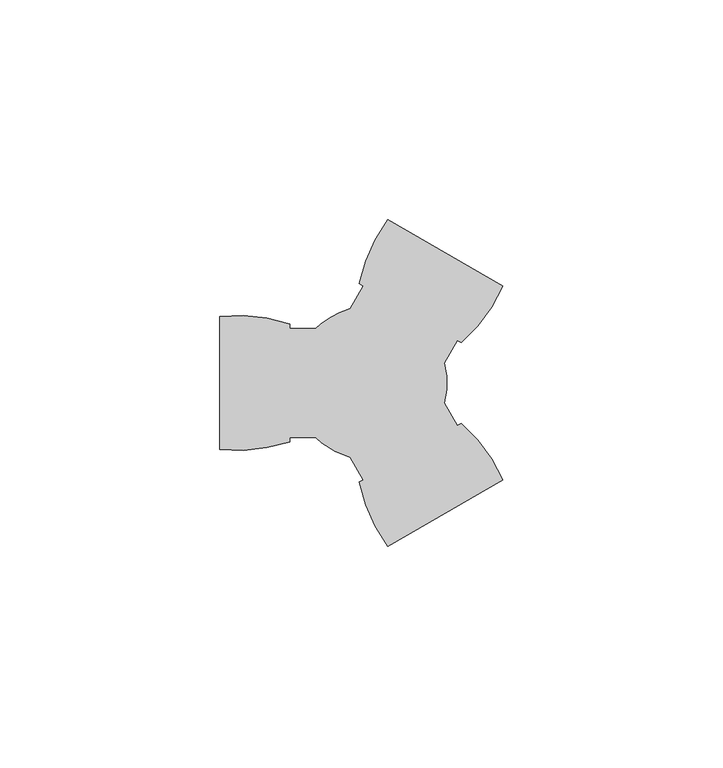
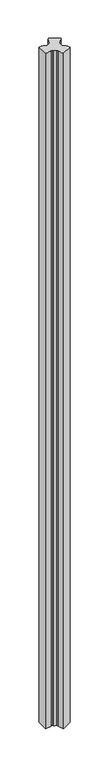
"""IFC4 building model written with IfcOpenShell, lengths in millimetres: member geometry."""

import ifcopenshell
import ifcopenshell.guid

model = None  # the IFC model being written
_history = None  # IfcOwnerHistory: only IFC2X3 demands one
_inside = {}  # id of a spatial element -> (the spatial element, [elements in it])
_under = {}  # id of a project, library or spatial element -> (it, [spatial elements below it])
_declared = {}  # id of a project -> (the project, [libraries it declares])
_typed = {}  # id of a type object -> (the type object, [elements of that type])
_made_of = {}  # id of a material, layer set ... -> (it, [elements and type objects made of it])


def new_model(schema):
    """Start an empty IFC model of exactly this schema.

    Asked for "IFC4X3", IfcOpenShell would pick the latest addendum, in which some entities
    have other attributes; the version numbers below select the first issue.
    IFC2X3 requires an IfcOwnerHistory on every rooted entity: one is made here for all.
    """
    global model, _history
    if schema == "IFC4X3":
        model = ifcopenshell.file(schema_version=(4, 3, 0, 0))
    else:
        model = ifcopenshell.file(schema=schema)
    _inside.clear()
    _under.clear()
    _declared.clear()
    _typed.clear()
    _made_of.clear()
    _history = None
    if model.schema == "IFC2X3":
        org = make("IfcOrganization", Name="unknown")
        user = make(
            "IfcPersonAndOrganization",
            ThePerson=make("IfcPerson", FamilyName="unknown"),
            TheOrganization=org,
        )
        app = make(
            "IfcApplication",
            ApplicationDeveloper=org,
            Version="unknown",
            ApplicationFullName="unknown",
            ApplicationIdentifier="unknown",
        )
        _history = make(
            "IfcOwnerHistory",
            OwningUser=user,
            OwningApplication=app,
            ChangeAction="ADDED",
            CreationDate=0,
        )
    return model


def make(cls, **values):
    """One entity of the class cls with the attributes given. An attribute that is None is left unset."""
    return model.create_entity(
        cls, **{name: value for name, value in values.items() if value is not None}
    )


def rooted(cls, **values):
    """An entity with a GlobalId (a new one), such as an element, a storey or a relation."""
    return make(cls, GlobalId=ifcopenshell.guid.new(), OwnerHistory=_history, **values)


def si_unit(unit_type, name, prefix=None):
    """IfcSIUnit, for example si_unit("LENGTHUNIT", "METRE", prefix="MILLI")."""
    return make("IfcSIUnit", UnitType=unit_type, Prefix=prefix, Name=name)


def assignment(units):
    """IfcUnitAssignment: the units of a project."""
    return None if units is None else make("IfcUnitAssignment", Units=units)


def point(xyz):
    """IfcCartesianPoint."""
    return None if xyz is None else make("IfcCartesianPoint", Coordinates=xyz)


def direction(xyz):
    """IfcDirection."""
    return None if xyz is None else make("IfcDirection", DirectionRatios=xyz)


def frame(location, z_axis=None, x_axis=None):
    """IfcAxis2Placement3D, a coordinate frame: its origin and axes. An axis left out is left unset."""
    return make(
        "IfcAxis2Placement3D",
        Location=point(location),
        Axis=direction(z_axis),
        RefDirection=direction(x_axis),
    )


def frame_2d(location, x_axis=None):
    """IfcAxis2Placement2D, a coordinate frame in the plane: its origin and x axis."""
    return make(
        "IfcAxis2Placement2D", Location=point(location), RefDirection=direction(x_axis)
    )


def origin():
    """The frame at (0, 0, 0) with its axes left unset."""
    return frame((0.0, 0.0, 0.0))


def place(relative_to, where):
    """IfcLocalPlacement: puts the frame where relative to a parent placement (None: the world)."""
    return make(
        "IfcLocalPlacement", PlacementRelTo=relative_to, RelativePlacement=where
    )


def context(
    kind, dimensions, precision=None, world=None, true_north=None, identifier=None
):
    """IfcGeometricRepresentationContext, for example the 3D "Model" context."""
    return make(
        "IfcGeometricRepresentationContext",
        ContextIdentifier=identifier,
        ContextType=kind,
        CoordinateSpaceDimension=dimensions,
        Precision=precision,
        WorldCoordinateSystem=world,
        TrueNorth=true_north,
    )


def project(units=None, contexts=None):
    """IfcProject with its units and contexts."""
    return rooted(
        "IfcProject",
        Name="project",
        RepresentationContexts=contexts,
        UnitsInContext=assignment(units),
    )


def spatial(cls, under=None, at=None, **own):
    """A site, building, storey or space (cls), placed at a placement, below another one or the project."""
    s = rooted(cls, ObjectPlacement=at, **own)
    if under is not None:
        _under.setdefault(under.id(), (under, []))[1].append(s)
    return s


def polyline(points):
    """IfcPolyline through the points."""
    return make("IfcPolyline", Points=[point(p) for p in points])


def circle_curve(where, radius):
    """IfcCircle in the frame where."""
    return make("IfcCircle", Position=where, Radius=radius)


def trimmed(basis, trim1, trim2, sense, master):
    """IfcTrimmedCurve: the piece of a basis curve between two trims."""
    return make(
        "IfcTrimmedCurve",
        BasisCurve=basis,
        Trim1=trim1,
        Trim2=trim2,
        SenseAgreement=sense,
        MasterRepresentation=master,
    )


def segment(curve, same_sense, transition):
    """IfcCompositeCurveSegment."""
    return make(
        "IfcCompositeCurveSegment",
        Transition=transition,
        SameSense=same_sense,
        ParentCurve=curve,
    )


def composite_curve(segments, self_intersect=None):
    """IfcCompositeCurve: segments joined end to end."""
    return make("IfcCompositeCurve", Segments=segments, SelfIntersect=self_intersect)


def outline(outer, holes=None, kind="AREA"):
    """IfcArbitraryClosedProfileDef: a profile drawn as a closed curve; with holes, ...WithVoids."""
    if holes is None:
        return make("IfcArbitraryClosedProfileDef", ProfileType=kind, OuterCurve=outer)
    return make(
        "IfcArbitraryProfileDefWithVoids",
        ProfileType=kind,
        OuterCurve=outer,
        InnerCurves=holes,
    )


def extrude(swept, where, along, depth):
    """IfcExtrudedAreaSolid: the profile swept, set in the frame where, extruded along a direction by depth."""
    return make(
        "IfcExtrudedAreaSolid",
        SweptArea=swept,
        Position=where,
        ExtrudedDirection=direction(along),
        Depth=depth,
    )


def shape(context_of_items, identifier, shape_type, items):
    """IfcShapeRepresentation: the items that make up one representation, for example the "Body"."""
    return make(
        "IfcShapeRepresentation",
        ContextOfItems=context_of_items,
        RepresentationIdentifier=identifier,
        RepresentationType=shape_type,
        Items=items,
    )


def source(mapping_origin, context_of_items, identifier, shape_type, items):
    """IfcRepresentationMap: a shape defined once, which mapped items show again and again."""
    return make(
        "IfcRepresentationMap",
        MappingOrigin=mapping_origin,
        MappedRepresentation=shape(context_of_items, identifier, shape_type, items),
    )


def transform(
    local_origin,
    x_axis=None,
    y_axis=None,
    z_axis=None,
    scale=None,
    scale2=None,
    scale3=None,
    uniform=True,
):
    """IfcCartesianTransformationOperator3D, or its non-uniform kind. x_axis, y_axis, z_axis: its Axis1, 2, 3."""
    if uniform:
        return make(
            "IfcCartesianTransformationOperator3D",
            Axis1=direction(x_axis),
            Axis2=direction(y_axis),
            LocalOrigin=point(local_origin),
            Scale=scale,
            Axis3=direction(z_axis),
        )
    return make(
        "IfcCartesianTransformationOperator3DnonUniform",
        Axis1=direction(x_axis),
        Axis2=direction(y_axis),
        LocalOrigin=point(local_origin),
        Scale=scale,
        Axis3=direction(z_axis),
        Scale2=scale2,
        Scale3=scale3,
    )


def mapped(mapping_source, mapping_target):
    """IfcMappedItem: shows the shape of a source again, moved by a transform."""
    return make(
        "IfcMappedItem", MappingSource=mapping_source, MappingTarget=mapping_target
    )


def made_of(thing, what):
    """Note that an element or type object is made of a material, layer set ...; save() writes the relation."""
    if what is not None:
        _made_of.setdefault(what.id(), (what, []))[1].append(thing)
    return thing


def element(
    cls,
    number,
    at=None,
    inside=None,
    cuts=None,
    type_object=None,
    material=None,
    context=None,
    identifier="Body",
    shape_type=None,
    held_by="IfcProductDefinitionShape",
    body=None,
    shapes=None,
    **own,
):
    """One element of the class cls, such as IfcWall. Its Tag is "e" and its number.

    at: its placement. inside: the storey or other place that contains it. cuts: it is an
    opening in that element (IfcRelVoidsElement). A single representation is given by context,
    identifier, shape_type and body (its items); several are given by shapes. held_by: the class
    of the entity that holds the representations. save() writes the other relations.
    """
    e = rooted(cls, Tag="e%d" % number, ObjectPlacement=at, **own)
    if body is not None:
        shapes = [shape(context, identifier, shape_type, body)]
    if shapes is not None:
        e.Representation = make(held_by, Representations=shapes)
    if inside is not None:
        _inside.setdefault(inside.id(), (inside, []))[1].append(e)
    if cuts is not None:
        rooted(
            "IfcRelVoidsElement", RelatingBuildingElement=cuts, RelatedOpeningElement=e
        )
    if type_object is not None:
        _typed.setdefault(type_object.id(), (type_object, []))[1].append(e)
    return made_of(e, material)


def aggregate(whole, parts):
    """IfcRelAggregates: a whole, such as a stair, and the parts it consists of."""
    return rooted("IfcRelAggregates", RelatingObject=whole, RelatedObjects=parts)


def save(model, path):
    """Write the relations noted so far, then the file.

    IfcRelAggregates (storeys below a building ...), IfcRelContainedInSpatialStructure (elements
    in a storey), IfcRelDefinesByType, IfcRelAssociatesMaterial and IfcRelDeclares: one each for
    every whole, place, type object, material and project.
    """
    for whole, parts in _under.values():
        aggregate(whole, parts)
    for where, things in _inside.values():
        rooted(
            "IfcRelContainedInSpatialStructure",
            RelatedElements=things,
            RelatingStructure=where,
        )
    for kind, things in _typed.values():
        rooted("IfcRelDefinesByType", RelatedObjects=things, RelatingType=kind)
    for what, things in _made_of.values():
        rooted("IfcRelAssociatesMaterial", RelatedObjects=things, RelatingMaterial=what)
    for by, libraries in _declared.values():
        rooted("IfcRelDeclares", RelatingContext=by, RelatedDefinitions=libraries)
    model.write(path)


def member_31667ea6(model_context):
    return source(origin(), model_context, "Body", "SweptSolid", [
        extrude(outline(composite_curve([segment(trimmed(circle_curve(frame_2d((-30.2268334, 0.0)), 17.5), [point((-41.2034242, -13.6295435))], [point((-42.6255229, -12.35))], False, "CARTESIAN"), True, "CONTINUOUS"), segment(polyline([(-42.6255229, -12.35), (-48.5605211, -12.35), (-48.5605211, -13.4055095)]), True, "CONTINUOUS"), segment(trimmed(circle_curve(frame_2d((-60.5605201, 22.6500036)), 38.0), [point((-48.5605211, -13.4055095))], [point((-64.4368641, -15.1517683))], False, "CARTESIAN"), True, "CONTINUOUS"), segment(polyline([(-64.4368641, -15.1517683), (-64.4368641, 15.1517704)]), True, "CONTINUOUS"), segment(trimmed(circle_curve(frame_2d((-60.5605201, -22.6500015)), 38.0), [point((-64.4368641, 15.1517704))], [point((-48.5598878, 13.4053008))], False, "CARTESIAN"), True, "CONTINUOUS"), segment(polyline([(-48.5598878, 13.4053008), (-48.5598878, 12.35), (-42.6255229, 12.35)]), True, "CONTINUOUS"), segment(trimmed(circle_curve(frame_2d((-30.2268334, 0.0)), 17.5), [point((-42.6255229, 12.35))], [point((-41.3775269, 13.4874769))], False, "CARTESIAN"), True, "CONTINUOUS"), segment(trimmed(circle_curve(frame_2d((-30.2268334, 0.0)), 17.5), [point((-41.3775269, 13.4874769))], [point((-34.7229024, 16.91258))], False, "CARTESIAN"), True, "CONTINUOUS"), segment(polyline([(-34.7229024, 16.91258), (-31.7554033, 22.0524393), (-32.6695013, 22.580194)]), True, "CONTINUOUS"), segment(trimmed(circle_curve(frame_2d((4.5554885, 14.9447414)), 38.0), [point((-32.6695013, 22.580194))], [point((-26.2436343, 37.2026398))], False, "CARTESIAN"), True, "CONTINUOUS"), segment(polyline([(-26.2436343, 37.2026398), (0.0, 22.0508705)]), True, "CONTINUOUS"), segment(trimmed(circle_curve(frame_2d((-34.6754668, 37.594744)), 38.0), [point((0.0, 22.0508705))], [point((-9.4509752, 9.1742404))], False, "CARTESIAN"), True, "CONTINUOUS"), segment(polyline([(-9.4509752, 9.1742404), (-10.3648925, 9.7018908), (-13.332075, 4.56258)]), True, "CONTINUOUS"), segment(trimmed(circle_curve(frame_2d((-30.2268334, 0.0)), 17.5), [point((-13.332075, 4.56258))], [point((-13.332075, -4.56258))], False, "CARTESIAN"), True, "CONTINUOUS"), segment(polyline([(-13.332075, -4.56258), (-10.3645758, -9.7024393), (-9.4504778, -9.1746846)]), True, "CONTINUOUS"), segment(trimmed(circle_curve(frame_2d((-34.6754686, -37.5947451)), 38.0), [point((-9.4504778, -9.1746846))], [point((-1.8e-06, -22.0508715))], False, "CARTESIAN"), True, "CONTINUOUS"), segment(polyline([(-1.8e-06, -22.0508715), (-26.2436361, -37.2026408)]), True, "CONTINUOUS"), segment(trimmed(circle_curve(frame_2d((4.5554866, -14.9447425)), 38.0), [point((-26.2436361, -37.2026408))], [point((-32.6696373, -22.5795412))], False, "CARTESIAN"), True, "CONTINUOUS"), segment(polyline([(-32.6696373, -22.5795412), (-31.75572, -22.0518908), (-34.7229024, -16.91258)]), True, "CONTINUOUS"), segment(trimmed(circle_curve(frame_2d((-30.2268334, 0.0)), 17.5), [point((-34.7229024, -16.91258))], [point((-41.2034242, -13.6295435))], False, "CARTESIAN"), True, "CONTINUOUS")], self_intersect=False)), frame((0.0, 0.0, -2000.0), z_axis=(0.0, 0.0, 1.0), x_axis=(1.0, 0.0, 0.0)), (0.0, 0.0, 1.0), 2000.0),
    ])


if __name__ == "__main__":
    model = new_model("IFC4")
    model_context = context("Model", 3, world=origin())
    ifc_project = project(units=[si_unit("LENGTHUNIT", "METRE", prefix="MILLI")], contexts=[model_context])
    site = spatial("IfcSite", under=ifc_project)
    building = spatial("IfcBuilding", under=site)
    placement = place(None, origin())
    member_shape = member_31667ea6(model_context)
    element("IfcMember", 1, at=placement, inside=building, context=model_context, shape_type="MappedRepresentation", body=[
        mapped(member_shape, transform((0.0, 0.0, 0.0), x_axis=(1.0, 0.0, 0.0), y_axis=(0.0, 1.0, 0.0), z_axis=(0.0, 0.0, 1.0))),
    ])
    save(model, "model.ifc")
